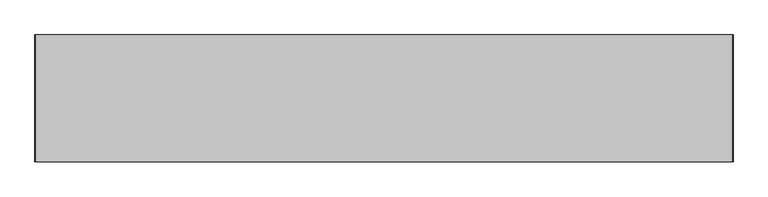
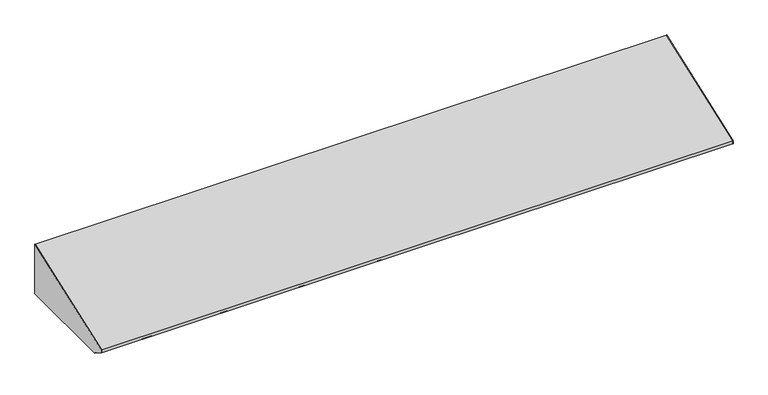
"""IFC4 building model written with IfcOpenShell, lengths in millimetres: furniture geometry."""

from ifc_helpers import new_model, si_unit, frame, origin, place, context, project, spatial, polyline, outline, extrude, source, transform, mapped, element, save


def furniture_7175a412(model_context):
    return source(origin(), model_context, "Body", "SweptSolid", [
        extrude(outline(polyline([(-21.75256, 2222.0323551), (-21.75256, 2120.90762), (-221.4493187, 2120.90762), (-243.29136, 2134.7387616), (-243.29136, 2140.8610122), (-21.75256, 2222.0323551)])), frame((627.5439549, 0.0, 0.0), z_axis=(1.0, 0.0, 0.0), x_axis=(0.0, 1.0, 0.0)), (0.0, 0.0, 1.0), 0.79375),
        extrude(outline(polyline([(-21.75256, 2120.90762), (-221.4493187, 2120.90762), (-243.29136, 2134.7387616), (-243.29136, 2140.8610122), (-21.75256, 2222.0323551), (-21.75256, 2120.90762)])), frame((-590.8622951, 0.0, 0.0), z_axis=(1.0, 0.0, 0.0), x_axis=(0.0, 1.0, 0.0)), (0.0, 0.0, 1.0), 0.79375),
        extrude(outline(polyline([(609.288502, -208.7493187), (609.288502, -97.8702473), (627.5439549, -97.8702473), (627.5439549, -208.7493187), (609.288502, -208.7493187)])), frame((0.0, 0.0, 2120.90762), z_axis=(0.0, 0.0, 1.0), x_axis=(1.0, 0.0, 0.0)), (0.0, 0.0, 1.0), 0.79375),
        extrude(outline(polyline([(-21.75256, 2120.90762), (-97.5295544, 2120.90762), (-97.5295544, 2121.70137), (-22.54631, 2121.70137), (-22.54631, 2207.5226989), (-21.75256, 2207.5226989), (-21.75256, 2120.90762)])), frame((616.9081836, 0.0, 0.0), z_axis=(1.0, 0.0, 0.0), x_axis=(0.0, 1.0, 0.0)), (0.0, 0.0, 1.0), 10.6357713),
        extrude(outline(polyline([(-21.75256, 2120.90762), (-97.5295544, 2120.90762), (-97.5295544, 2121.70137), (-22.54631, 2121.70137), (-22.54631, 2207.5226989), (-21.75256, 2207.5226989), (-21.75256, 2120.90762)])), frame((-590.0685451, 0.0, 0.0), z_axis=(1.0, 0.0, 0.0), x_axis=(0.0, 1.0, 0.0)), (0.0, 0.0, 1.0), 10.6357713),
        extrude(outline(polyline([(-590.0685451, -208.7493187), (-590.0685451, -97.8702473), (-571.8130922, -97.8702473), (-571.8130922, -208.7493187), (-590.0685451, -208.7493187)])), frame((0.0, 0.0, 2120.90762), z_axis=(0.0, 0.0, 1.0), x_axis=(1.0, 0.0, 0.0)), (0.0, 0.0, 1.0), 0.79375),
        extrude(outline(polyline([(-243.29136, 2140.8610122), (-21.75256, 2222.0323551), (-21.75256, 2207.5226989), (-22.54631, 2207.5226989), (-22.54631, 2220.8961009), (-242.49761, 2140.3065244), (-242.49761, 2135.1756399), (-221.2358067, 2121.70137), (-208.7493187, 2121.70137), (-208.7493187, 2120.90762), (-221.4493187, 2120.90762), (-243.29136, 2134.7387616), (-243.29136, 2140.8610122)])), frame((-590.0685451, 0.0, 0.0), z_axis=(1.0, 0.0, 0.0), x_axis=(0.0, 1.0, 0.0)), (0.0, 0.0, 1.0), 1217.6125),
    ])


if __name__ == "__main__":
    model = new_model("IFC4")
    model_context = context("Model", 3, world=origin())
    ifc_project = project(units=[si_unit("LENGTHUNIT", "METRE", prefix="MILLI")], contexts=[model_context])
    site = spatial("IfcSite", under=ifc_project)
    building = spatial("IfcBuilding", under=site)
    placement = place(None, origin())
    furniture_shape = furniture_7175a412(model_context)
    element("IfcFurniture", 1, at=placement, inside=building, context=model_context, shape_type="MappedRepresentation", body=[
        mapped(furniture_shape, transform((0.0, 0.0, 0.0), x_axis=(1.0, 0.0, 0.0), y_axis=(0.0, 1.0, 0.0), z_axis=(0.0, 0.0, 1.0))),
    ])
    save(model, "model.ifc")
